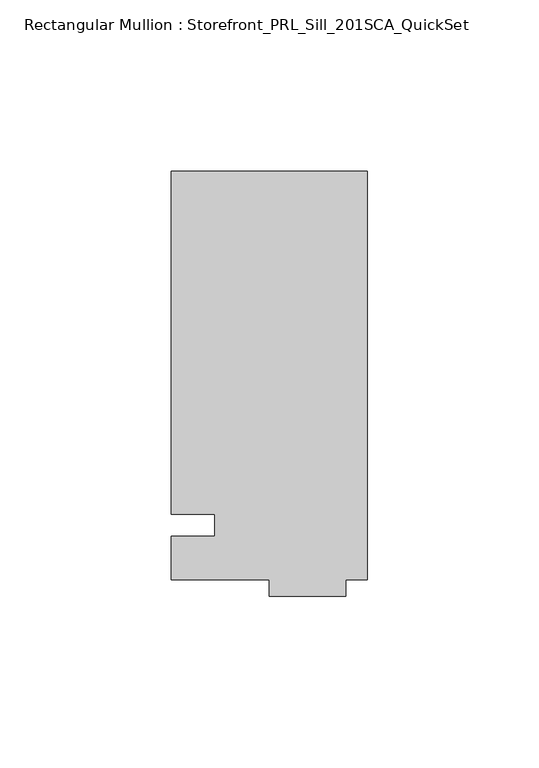
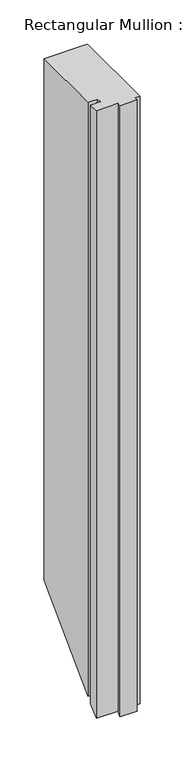
"""IFC4 building model written with IfcOpenShell, lengths in millimetres: member geometry, Rectangular Mullion : Storefront_PRL_Sill_201SCA_QuickSet."""

from ifc_helpers import new_model, si_unit, origin, place, context, project, spatial, faceted_brep, source, transform, mapped, element, save


def rectangular_mullion_storefront_prl_sill_201sca_quickset_53ad5738(model_context):
    return source(origin(), model_context, "Body", "Brep", [
        faceted_brep([(-44.45, 3.175, 0.0), (-44.45, -3.175, 0.0), (-57.15, -3.175, 0.0), (-57.15, -15.875, 0.0), (-28.575, -15.875, 0.0), (-28.575, -20.6375, 0.0), (-6.35, -20.6375, 0.0), (-6.35, -15.875, 0.0), (0.0, -15.875, 0.0), (0.0, 103.1875, 0.0), (-6.35, 103.1875, 0.0), (-57.15, 103.1875, 0.0), (-57.15, 3.175, 0.0), (-44.45, 3.175, -822.325), (-44.45, -3.175, -828.675), (-57.15, -3.175, -828.675), (-57.15, -15.875, -841.375), (-28.575, -15.875, -841.375), (-28.575, -20.6375, -846.1375), (-6.35, -20.6375, -846.1375), (-6.35, -15.875, -841.375), (0.0, -15.875, -841.375), (0.0, 103.1875, -722.3125), (-6.35, 103.1875, -722.3125), (-57.15, 103.1875, -722.3125), (-57.15, 3.175, -822.325)], [[[0, 1, 2, 3, 4, 5, 6, 7, 8, 9, 10, 11, 12]], [[1, 0, 13, 14]], [[2, 1, 14, 15]], [[3, 2, 15, 16]], [[4, 3, 16, 17]], [[5, 4, 17, 18]], [[6, 5, 18, 19]], [[7, 6, 19, 20]], [[8, 7, 20, 21]], [[9, 8, 21, 22]], [[10, 9, 22, 23]], [[11, 10, 23, 24]], [[12, 11, 24, 25]], [[0, 12, 25, 13]], [[13, 25, 24, 23, 22, 21, 20, 19, 18, 17, 16, 15, 14]]]),
    ])


if __name__ == "__main__":
    model = new_model("IFC4")
    model_context = context("Model", 3, world=origin())
    ifc_project = project(units=[si_unit("LENGTHUNIT", "METRE", prefix="MILLI")], contexts=[model_context])
    site = spatial("IfcSite", under=ifc_project)
    building = spatial("IfcBuilding", under=site)
    placement = place(None, origin())
    rectangular_mullion_storefront_prl_sill_201sca_quickset_shape = rectangular_mullion_storefront_prl_sill_201sca_quickset_53ad5738(model_context)
    element("IfcMember", 1, ObjectType="Rectangular Mullion : Storefront_PRL_Sill_201SCA_QuickSet", at=placement, inside=building, context=model_context, shape_type="MappedRepresentation", body=[
        mapped(rectangular_mullion_storefront_prl_sill_201sca_quickset_shape, transform((0.0, 0.0, 0.0), x_axis=(1.0, 0.0, 0.0), y_axis=(0.0, 1.0, 0.0), z_axis=(0.0, 0.0, 1.0))),
    ])
    save(model, "model.ifc")
